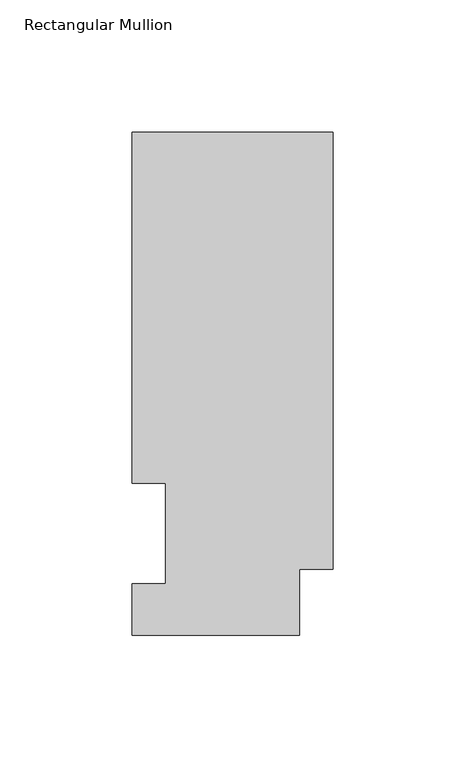
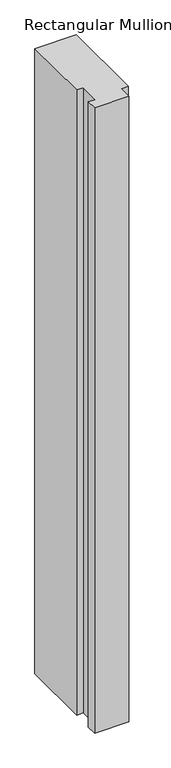
"""IFC4 building model written with IfcOpenShell, lengths in millimetres: member geometry, Rectangular Mullion."""

from ifc_helpers import new_model, si_unit, frame, origin, place, context, project, spatial, polyline, outline, extrude, source, transform, mapped, element, save


def rectangular_mullion_2f4c3fb0(model_context):
    return source(origin(), model_context, "Body", "SweptSolid", [
        extrude(outline(polyline([(-76.2, 190.5896937), (0.0, 190.5896937), (0.0, 25.0832937), (-12.7, 25.0832937), (-12.7, 0.0134937), (-76.2, 0.0134937), (-76.2, 19.5460937), (-63.5, 19.5460937), (-63.5, 57.6460937), (-76.2, 57.6460937), (-76.2, 190.5896937)])), frame((0.0, 0.0, -1219.2), z_axis=(0.0, 0.0, 1.0), x_axis=(1.0, 0.0, 0.0)), (0.0, 0.0, 1.0), 1219.2),
    ])


if __name__ == "__main__":
    model = new_model("IFC4")
    model_context = context("Model", 3, world=origin())
    ifc_project = project(units=[si_unit("LENGTHUNIT", "METRE", prefix="MILLI")], contexts=[model_context])
    site = spatial("IfcSite", under=ifc_project)
    building = spatial("IfcBuilding", under=site)
    placement = place(None, origin())
    rectangular_mullion_shape = rectangular_mullion_2f4c3fb0(model_context)
    element("IfcMember", 1, ObjectType="Rectangular Mullion", at=placement, inside=building, context=model_context, shape_type="MappedRepresentation", body=[
        mapped(rectangular_mullion_shape, transform((0.0, 0.0, 0.0), x_axis=(1.0, 0.0, 0.0), y_axis=(0.0, 1.0, 0.0), z_axis=(0.0, 0.0, 1.0))),
    ])
    save(model, "model.ifc")
